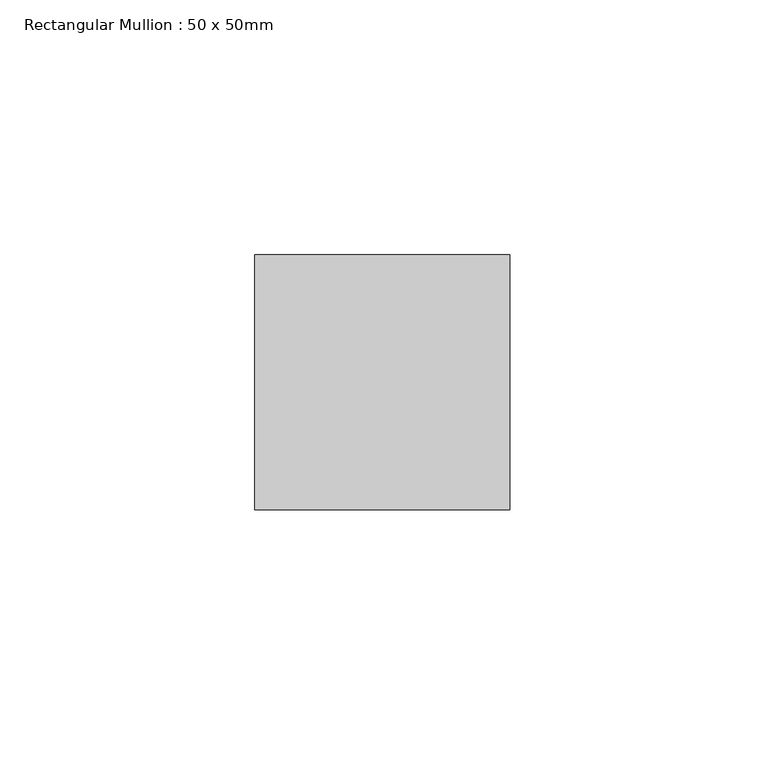
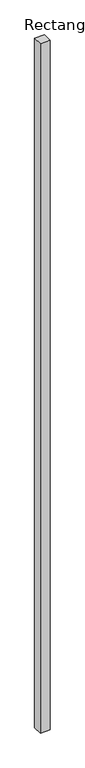
"""IFC4 building model written with IfcOpenShell, lengths in millimetres: member geometry, Rectangular Mullion : 50 x 50mm."""

from ifc_helpers import new_model, si_unit, frame, origin, place, context, project, spatial, polyline, outline, extrude, source, transform, mapped, element, save


def rectangular_mullion_50_x_50mm_7e861dcd(model_context):
    return source(origin(), model_context, "Body", "SweptSolid", [
        extrude(outline(polyline([(0.0, 50.0), (0.0, 0.0), (-50.0, 0.0), (-50.0, 50.0), (0.0, 50.0)])), frame((0.0, 0.0, -3758.0), z_axis=(0.0, 0.0, 1.0), x_axis=(1.0, 0.0, 0.0)), (0.0, 0.0, 1.0), 3758.0),
    ])


if __name__ == "__main__":
    model = new_model("IFC4")
    model_context = context("Model", 3, world=origin())
    ifc_project = project(units=[si_unit("LENGTHUNIT", "METRE", prefix="MILLI")], contexts=[model_context])
    site = spatial("IfcSite", under=ifc_project)
    building = spatial("IfcBuilding", under=site)
    placement = place(None, origin())
    rectangular_mullion_50_x_50mm_shape = rectangular_mullion_50_x_50mm_7e861dcd(model_context)
    element("IfcMember", 1, ObjectType="Rectangular Mullion : 50 x 50mm", at=placement, inside=building, context=model_context, shape_type="MappedRepresentation", body=[
        mapped(rectangular_mullion_50_x_50mm_shape, transform((0.0, 0.0, 0.0), x_axis=(1.0, 0.0, 0.0), y_axis=(0.0, 1.0, 0.0), z_axis=(0.0, 0.0, 1.0))),
    ])
    save(model, "model.ifc")
